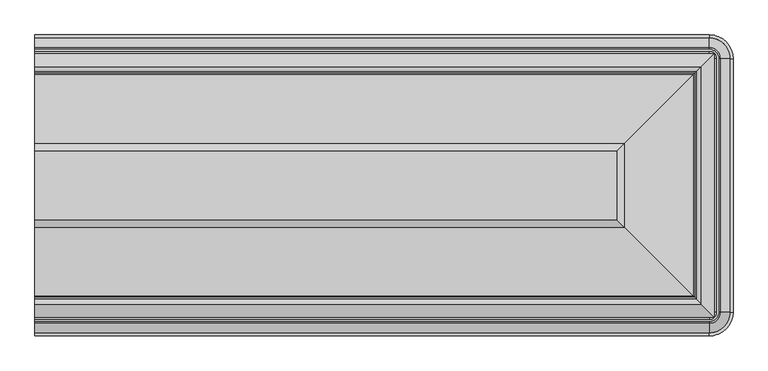
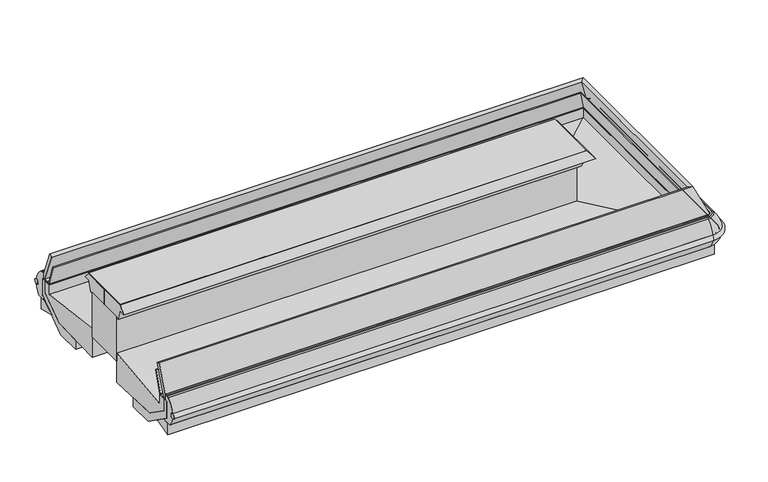
"""IFC4 building model written with IfcOpenShell, lengths in millimetres: proxy geometry."""

from ifc_helpers import new_model, si_unit, point, frame, origin, place, context, project, spatial, polyline, circle_curve, ellipse_curve, trimmed, outline, extrude, faceted_brep, source, transform, mapped, element, save
from ifc_brep_helpers import plane_surface, cylinder_surface, revolved_surface, advanced_brep


def mechanical_equipment_e37efff1(model_context):
    return source(origin(), model_context, "Body", "SolidModel", [
        faceted_brep([(0.0, -1781.1866726, 911.7999531), (0.0, -1860.5025367, 710.1476321), (0.0, -1841.5332437, 702.6864442), (0.0, -1817.1137149, 702.6864442), (0.0, -1816.7738859, 706.4102991), (0.0, -1770.0922273, 851.4874611), (0.0, -1764.037322, 849.5741862), (0.0, -1810.7189805, 704.4970242), (0.0, -1810.1258242, 699.9316399), (0.0, -1877.2754027, 699.9316399), (0.0, -1877.2754027, 741.2027305), (0.0, -1806.1949558, 921.6509767), (3583.2420453, -1781.1866726, 911.7999531), (3662.5579094, -1860.5025367, 710.1476321), (3643.5886164, -1841.5332437, 702.6864442), (3643.5886164, -485.2560109, 702.6864442), (0.0, -485.2560109, 702.6864442), (0.0, -509.6755397, 702.6864442), (3619.1690876, -509.6755397, 702.6864442), (3619.1690876, -1817.1137149, 702.6864442), (3618.8292586, -1816.7738859, 706.4102991), (3572.1476, -1770.0922273, 851.4874611), (3566.0926947, -1764.037322, 849.5741862), (3612.7743532, -1810.7189805, 704.4970242), (3612.1811969, -1810.1258242, 699.9316399), (3612.1811969, -516.6634304, 699.9316399), (0.0, -516.6634304, 699.9316399), (0.0, -449.5138519, 699.9316399), (3679.3307754, -449.5138519, 699.9316399), (3679.3307754, -1877.2754027, 699.9316399), (3679.3307754, -1877.2754027, 741.2027305), (3608.2503285, -1806.1949558, 921.6509767), (3583.2420453, -545.602582, 911.7999531), (3662.5579094, -466.2867179, 710.1476321), (3618.8292586, -510.0153687, 706.4102991), (3572.1476, -556.6970273, 851.4874611), (3566.0926947, -562.7519326, 849.5741862), (3612.7743532, -516.0702741, 704.4970242), (3679.3307754, -449.5138519, 741.2027305), (3608.2503285, -520.5942988, 921.6509767), (0.0, -545.602582, 911.7999531), (0.0, -520.5942988, 921.6509767), (0.0, -449.5138519, 741.2027305), (0.0, -516.0702741, 704.4970242), (0.0, -562.7519326, 849.5741862), (0.0, -556.6970273, 851.4874611), (0.0, -510.0153687, 706.4102991), (0.0, -466.2867179, 710.1476321)], [[[0, 1, 2, 3, 4, 5, 6, 7, 8, 9, 10, 11]], [[1, 0, 12, 13]], [[2, 1, 13, 14]], [[3, 2, 14, 15, 16, 17, 18, 19]], [[4, 3, 19, 20]], [[5, 4, 20, 21]], [[6, 5, 21, 22]], [[7, 6, 22, 23]], [[8, 7, 23, 24]], [[9, 8, 24, 25, 26, 27, 28, 29]], [[10, 9, 29, 30]], [[11, 10, 30, 31]], [[0, 11, 31, 12]], [[13, 12, 32, 33]], [[14, 13, 33, 15]], [[20, 19, 18, 34]], [[21, 20, 34, 35]], [[22, 21, 35, 36]], [[23, 22, 36, 37]], [[24, 23, 37, 25]], [[30, 29, 28, 38]], [[31, 30, 38, 39]], [[12, 31, 39, 32]], [[40, 41, 42, 27, 26, 43, 44, 45, 46, 17, 16, 47]], [[33, 32, 40, 47]], [[15, 33, 47, 16]], [[34, 18, 17, 46]], [[35, 34, 46, 45]], [[36, 35, 45, 44]], [[37, 36, 44, 43]], [[25, 37, 43, 26]], [[38, 28, 27, 42]], [[39, 38, 42, 41]], [[32, 39, 41, 40]]]),
        extrude(outline(polyline([(3150.1723359, -1348.1169632), (0.0, -1348.1169632), (0.0, -978.6722914), (3150.1723359, -978.6722914), (3150.1723359, -1348.1169632)])), frame((0.0, 0.0, 1059.6328437), z_axis=(0.0, 0.0, 1.0), x_axis=(1.0, 0.0, 0.0)), (0.0, 0.0, 1.0), 3.1453162),
        extrude(outline(polyline([(3110.4645079, -1019.5095352), (3110.4645079, -1308.4091352), (0.0, -1308.4091352), (0.0, -1019.5095352), (3110.4645079, -1019.5095352)])), frame((0.0, 0.0, 631.4585812), z_axis=(0.0, 0.0, 1.0), x_axis=(1.0, 0.0, 0.0)), (0.0, 0.0, 1.0), 317.8871452),
        faceted_brep([(0.0, -1308.2830983, 949.3457264), (0.0, -1326.3805663, 943.3348816), (0.0, -1349.8556285, 1014.0136635), (0.0, -1389.1926575, 1014.0136635), (0.0, -1348.1169632, 1059.6328437), (0.0, -1163.895984, 1059.6328437), (0.0, -1163.895984, 949.3457264), (3110.338471, -1308.2830983, 949.3457264), (3128.435939, -1326.3805663, 943.3348816), (3151.9110012, -1349.8556285, 1014.0136635), (3151.9110012, -976.9336261, 1014.0136635), (0.0, -976.9336261, 1014.0136635), (0.0, -937.5965971, 1014.0136635), (3191.2480302, -937.5965971, 1014.0136635), (3191.2480302, -1389.1926575, 1014.0136635), (3150.1723359, -1348.1169632, 1059.6328437), (3150.1723359, -978.6722914, 1059.6328437), (0.0, -978.6722914, 1059.6328437), (0.0, -1162.8932706, 1059.6328437), (2965.9513567, -1162.8932706, 1059.6328437), (2965.9513567, -1163.895984, 1059.6328437), (2965.9513567, -1163.895984, 949.3457264), (2965.9513567, -1162.8932706, 949.3457264), (0.0, -1162.8932706, 949.3457264), (0.0, -1018.5061563, 949.3457264), (3110.338471, -1018.5061563, 949.3457264), (3128.435939, -1000.4086883, 943.3348816), (0.0, -1000.4086883, 943.3348816)], [[[0, 1, 2, 3, 4, 5, 6]], [[1, 0, 7, 8]], [[2, 1, 8, 9]], [[3, 2, 9, 10, 11, 12, 13, 14]], [[4, 3, 14, 15]], [[5, 4, 15, 16, 17, 18, 19, 20]], [[6, 5, 20, 21]], [[0, 6, 21, 22, 23, 24, 25, 7]], [[8, 7, 25, 26]], [[9, 8, 26, 10]], [[15, 14, 13, 16]], [[21, 20, 19, 22]], [[24, 23, 18, 17, 12, 11, 27]], [[26, 25, 24, 27]], [[10, 26, 27, 11]], [[16, 13, 12, 17]], [[22, 19, 18, 23]]]),
        faceted_brep([(0.0, -1308.4091352, 690.9503766), (0.0, -1308.4091352, 482.92446), (0.0, -1693.9996243, 497.0790606), (0.0, -1857.0513557, 611.2491401), (0.0, -1857.0513557, 699.9316399), (0.0, -1809.4937149, 699.9316399), (0.0, -1809.4937149, 631.4585812), (3110.4645079, -1308.4091352, 690.9503766), (3110.4645079, -1308.4091352, 482.92446), (3496.054997, -1693.9996243, 497.0790606), (3659.1067284, -1857.0513557, 611.2491401), (3659.1067284, -1857.0513557, 699.9316399), (3659.1067284, -469.7378989, 699.9316399), (0.0, -469.7378989, 699.9316399), (0.0, -517.2955397, 699.9316399), (3611.5490876, -517.2955397, 699.9316399), (3611.5490876, -1809.4937149, 699.9316399), (3611.5490876, -1809.4937149, 631.4585812), (3110.4645079, -1018.3801194, 690.9503766), (3110.4645079, -1018.3801194, 482.92446), (3496.054997, -632.7896303, 497.0790606), (3659.1067284, -469.7378989, 611.2491401), (3611.5490876, -517.2955397, 631.4585812), (0.0, -1018.3801194, 690.9503766), (0.0, -517.2955397, 631.4585812), (0.0, -469.7378989, 611.2491401), (0.0, -632.7896303, 497.0790606), (0.0, -1018.3801194, 482.92446)], [[[0, 1, 2, 3, 4, 5, 6]], [[1, 0, 7, 8]], [[2, 1, 8, 9]], [[3, 2, 9, 10]], [[4, 3, 10, 11]], [[5, 4, 11, 12, 13, 14, 15, 16]], [[6, 5, 16, 17]], [[0, 6, 17, 7]], [[8, 7, 18, 19]], [[9, 8, 19, 20]], [[10, 9, 20, 21]], [[11, 10, 21, 12]], [[17, 16, 15, 22]], [[7, 17, 22, 18]], [[23, 24, 14, 13, 25, 26, 27]], [[19, 18, 23, 27]], [[20, 19, 27, 26]], [[21, 20, 26, 25]], [[12, 21, 25, 13]], [[22, 15, 14, 24]], [[18, 22, 24, 23]]]),
        advanced_brep(
        [(0.0, -364.6063208, 652.4275857), (0.0, -367.261694, 617.5553703), (3651.3002227, -364.6063208, 652.4275857), (3651.3002227, -367.261694, 617.5553703), (3761.5829333, -477.5444046, 617.5553703), (3764.2383065, -477.5444046, 652.4275857), (3764.2383065, -1849.24485, 652.4275857), (3761.5829333, -1849.24485, 617.5553703), (3651.3002227, -1959.5275606, 617.5553703), (3651.3002227, -1962.1829338, 652.4275857), (0.0, -1962.1829338, 652.4275857), (0.0, -1959.5275606, 617.5553703)],
        [
            (0, 1, circle_curve(frame((0.0, -366.1293194, 635.0063502), z_axis=(-1.0, 0.0, 0.0), x_axis=(0.0, 1.0, 0.0)), 17.4876806)),
            (1, 0, circle_curve(frame((0.0, -366.2319692, 635.0141666), z_axis=(-1.0, 0.0, 0.0), x_axis=(0.0, 1.0, 0.0)), 17.4891366)),
            (0, 2),
            (2, 3, circle_curve(frame((3651.3002227, -366.1293194, 635.0063502), z_axis=(-1.0, 0.0, 0.0), x_axis=(0.0, 1.0, 0.0)), 17.4876806)),
            (3, 1),
            (3, 2, circle_curve(frame((3651.3002227, -366.2319692, 635.0141666), z_axis=(-1.0, 0.0, 0.0), x_axis=(0.0, 1.0, 0.0)), 17.4891366)),
            (4, 3, circle_curve(frame((3651.3002227, -477.5444046, 617.5553703), z_axis=(0.0, 0.0, 1.0), x_axis=(0.0, 1.0, 0.0)), 110.2827105)),
            (2, 5, circle_curve(frame((3651.3002227, -477.5444046, 652.4275857), z_axis=(0.0, 0.0, -1.0), x_axis=(0.0, 1.0, 0.0)), 112.9380838)),
            (5, 4, circle_curve(frame((3762.7153079, -477.5444046, 635.0063502), z_axis=(0.0, 1.0, 0.0), x_axis=(1.0, 0.0, 0.0)), 17.4876806)),
            (4, 5, circle_curve(frame((3762.6126581, -477.5444046, 635.0141666), z_axis=(0.0, 1.0, 0.0), x_axis=(1.0, 0.0, 0.0)), 17.4891366)),
            (5, 6),
            (6, 7, circle_curve(frame((3762.7153079, -1849.24485, 635.0063502), z_axis=(0.0, 1.0, 0.0), x_axis=(1.0, 0.0, 0.0)), 17.4876806)),
            (7, 4),
            (7, 6, circle_curve(frame((3762.6126581, -1849.24485, 635.0141666), z_axis=(0.0, 1.0, 0.0), x_axis=(1.0, 0.0, 0.0)), 17.4891366)),
            (8, 7, circle_curve(frame((3651.3002227, -1849.24485, 617.5553703), z_axis=(0.0, 0.0, 1.0), x_axis=(1.0, 0.0, 0.0)), 110.2827105)),
            (6, 9, circle_curve(frame((3651.3002227, -1849.24485, 652.4275857), z_axis=(0.0, 0.0, -1.0), x_axis=(1.0, 0.0, 0.0)), 112.9380838)),
            (9, 8, circle_curve(frame((3651.3002227, -1960.6599352, 635.0063502), z_axis=(1.0, 0.0, 0.0), x_axis=(0.0, -1.0, 0.0)), 17.4876806)),
            (8, 9, circle_curve(frame((3651.3002227, -1960.5572854, 635.0141666), z_axis=(1.0, 0.0, 0.0), x_axis=(0.0, -1.0, 0.0)), 17.4891366)),
            (10, 11, circle_curve(frame((0.0, -1960.5572854, 635.0141666), z_axis=(-1.0, 0.0, 0.0), x_axis=(0.0, -1.0, 0.0)), 17.4891366)),
            (11, 10, circle_curve(frame((0.0, -1960.6599352, 635.0063502), z_axis=(-1.0, 0.0, 0.0), x_axis=(0.0, -1.0, 0.0)), 17.4876806)),
            (9, 10),
            (11, 8),
        ],
        [
            plane_surface(frame((0.0, -401.3444046, 50.2442522), z_axis=(-1.0, 0.0, 0.0), x_axis=(0.0, 0.0, 1.0))),
            cylinder_surface(frame((0.0, -366.1293194, 635.0063502), z_axis=(-1.0, 0.0, 0.0), x_axis=(0.0, 1.0, 0.0)), 17.4876806),
            cylinder_surface(frame((0.0, -366.2319692, 635.0141666), z_axis=(-1.0, 0.0, 0.0), x_axis=(0.0, 1.0, 0.0)), 17.4891366),
            revolved_surface(trimmed(ellipse_curve(frame((3651.3002227, -366.1293194, 635.0063502), z_axis=(-1.0, 0.0, 0.0), x_axis=(0.0, 1.0, 0.0)), 17.4876806, 17.4876806), [point((3651.3002227, -364.6063208, 652.4275857))], [point((3651.3002227, -367.261694, 617.5553703))], True, "CARTESIAN"), (3651.3002227, -477.5444046, 50.2442522), (0.0, 0.0, -1.0)),
            revolved_surface(trimmed(ellipse_curve(frame((3651.3002227, -366.2319692, 635.0141666), z_axis=(-1.0, 0.0, 0.0), x_axis=(0.0, 1.0, 0.0)), 17.4891366, 17.4891366), [point((3651.3002227, -367.261694, 617.5553703))], [point((3651.3002227, -364.6063208, 652.4275857))], True, "CARTESIAN"), (3651.3002227, -477.5444046, 50.2442522), (0.0, 0.0, -1.0)),
            cylinder_surface(frame((3762.7153079, -477.5444046, 635.0063502), z_axis=(0.0, 1.0, 0.0), x_axis=(1.0, 0.0, 0.0)), 17.4876806),
            cylinder_surface(frame((3762.6126581, -477.5444046, 635.0141666), z_axis=(0.0, 1.0, 0.0), x_axis=(1.0, 0.0, 0.0)), 17.4891366),
            revolved_surface(trimmed(ellipse_curve(frame((3762.7153079, -1849.24485, 635.0063502), z_axis=(0.0, 1.0, 0.0), x_axis=(1.0, 0.0, 0.0)), 17.4876806, 17.4876806), [point((3764.2383065, -1849.24485, 652.4275857))], [point((3761.5829333, -1849.24485, 617.5553703))], True, "CARTESIAN"), (3651.3002227, -1849.24485, 50.2442522), (0.0, 0.0, -1.0)),
            revolved_surface(trimmed(ellipse_curve(frame((3762.6126581, -1849.24485, 635.0141666), z_axis=(0.0, 1.0, 0.0), x_axis=(1.0, 0.0, 0.0)), 17.4891366, 17.4891366), [point((3761.5829333, -1849.24485, 617.5553703))], [point((3764.2383065, -1849.24485, 652.4275857))], True, "CARTESIAN"), (3651.3002227, -1849.24485, 50.2442522), (0.0, 0.0, -1.0)),
            plane_surface(frame((0.0, -1925.44485, 50.2442522), z_axis=(-1.0, 0.0, 0.0), x_axis=(0.0, 0.0, 1.0))),
            cylinder_surface(frame((3651.3002227, -1960.6599352, 635.0063502), z_axis=(1.0, 0.0, 0.0), x_axis=(0.0, -1.0, 0.0)), 17.4876806),
            cylinder_surface(frame((3651.3002227, -1960.5572854, 635.0141666), z_axis=(1.0, 0.0, 0.0), x_axis=(0.0, -1.0, 0.0)), 17.4891366),
        ],
        [
            (0, [[1, 2]]),
            (1, [[-1, 3, 4, 5]]),
            (2, [[-2, -5, 6, -3]]),
            (3, [[7, -4, 8, 9]]),
            (4, [[-8, -6, -7, 10]]),
            (5, [[-9, 11, 12, 13]]),
            (6, [[-10, -13, 14, -11]]),
            (7, [[15, -12, 16, 17]]),
            (8, [[-16, -14, -15, 18]]),
            (9, [[19, 20]]),
            (10, [[-17, 21, -20, 22]]),
            (11, [[-18, -22, -19, -21]]),
        ],
    ),
        advanced_brep(
        [(0.0, -1932.3707266, 554.795851), (0.0, -1962.3625666, 617.6184528), (0.0, -1962.1829338, 652.4275857), (0.0, -1911.1133562, 737.3348631), (0.0, -1900.315694, 741.5661382), (0.0, -1890.77385, 741.5661382), (0.0, -1877.2754027, 741.2027305), (0.0, -1877.2754027, 699.9316399), (0.0, -1894.7830557, 699.9316399), (0.0, -1894.7830557, 580.2978022), (0.0, -1855.3824045, 552.6494703), (0.0, -1927.6069109, 552.6494703), (3651.3002227, -1932.3707266, 554.795851), (3651.3002227, -1962.3625666, 617.6184528), (3651.3002227, -1962.1829338, 652.4275857), (3651.3002227, -1911.1133562, 737.3348631), (3651.3002227, -1900.315694, 741.5661382), (3702.3710667, -1849.24485, 741.5661382), (3702.3710667, -477.5444046, 741.5661382), (3651.3002227, -426.4735606, 741.5661382), (0.0, -426.4735606, 741.5661382), (0.0, -436.0154046, 741.5661382), (3651.3002227, -436.0154046, 741.5661382), (3692.8292227, -477.5444046, 741.5661382), (3692.8292227, -1849.24485, 741.5661382), (3651.3002227, -1890.77385, 741.5661382), (3651.3002227, -1877.2754027, 741.2027305), (3651.3002227, -1877.2754027, 699.9316399), (3679.3307754, -1849.24485, 699.9316399), (3679.3307754, -477.5444046, 699.9316399), (3651.3002227, -449.5138519, 699.9316399), (0.0, -449.5138519, 699.9316399), (0.0, -432.0061989, 699.9316399), (3651.3002227, -432.0061989, 699.9316399), (3696.8384284, -477.5444046, 699.9316399), (3696.8384284, -1849.24485, 699.9316399), (3651.3002227, -1894.7830557, 699.9316399), (3651.3002227, -1894.7830557, 580.2978022), (3651.3002227, -1855.3824045, 552.6494703), (3651.3002227, -1927.6069109, 552.646226), (3764.4179393, -1849.24485, 617.6184528), (3734.4260993, -1849.24485, 554.795851), (3764.2383065, -1849.24485, 652.4275857), (3713.1687289, -1849.24485, 737.3348631), (3679.3307754, -1849.24485, 741.2027305), (3696.8384284, -1849.24485, 580.2978022), (3657.4377772, -1849.24485, 552.6494703), (3729.6622836, -1849.24485, 552.646226), (3734.4260993, -477.5444046, 554.795851), (3764.4179393, -477.5444046, 617.6184528), (3764.2383065, -477.5444046, 652.4275857), (3713.1687289, -477.5444046, 737.3348631), (3679.3307754, -477.5444046, 741.2027305), (3696.8384284, -477.5444046, 580.2978022), (3657.4377772, -477.5444046, 552.6494703), (3729.6622836, -477.5444046, 552.646226), (3651.3002227, -364.426688, 617.6184528), (3651.3002227, -394.418528, 554.795851), (3651.3002227, -364.6063208, 652.4275857), (3651.3002227, -415.6758984, 737.3348631), (3651.3002227, -449.5138519, 741.2027305), (3651.3002227, -432.0061989, 580.2978022), (3651.3002227, -471.4068501, 552.6494703), (3651.3002227, -399.1823437, 552.646226), (0.0, -394.418528, 554.795851), (0.0, -399.1823437, 552.646226), (0.0, -471.4068501, 552.6494703), (0.0, -432.0061989, 580.2978022), (0.0, -449.5138519, 741.2027305), (0.0, -415.6758984, 737.3348631), (0.0, -364.6063208, 652.4275857), (0.0, -364.426688, 617.6184528)],
        [
            (0, 1, circle_curve(frame((0.0, -1837.1426231, 638.8286796), z_axis=(-1.0, 0.0, 0.0), x_axis=(0.0, 1.0, 0.0)), 127.0035747)),
            (1, 2, circle_curve(frame((0.0, -1960.5572854, 635.0141666), z_axis=(1.0, 0.0, 0.0), x_axis=(0.0, 1.0, 0.0)), 17.4891366)),
            (2, 3, circle_curve(frame((0.0, -1790.3001749, 606.8566258), z_axis=(-1.0, 0.0, 0.0), x_axis=(0.0, 1.0, 0.0)), 177.8212451)),
            (3, 4, circle_curve(frame((0.0, -1900.315694, 725.6733878), z_axis=(-1.0, 0.0, 0.0), x_axis=(0.0, 1.0, 0.0)), 15.8927504)),
            (4, 5),
            (5, 6),
            (6, 7),
            (7, 8),
            (8, 9),
            (9, 10),
            (10, 11),
            (11, 0, circle_curve(frame((0.0, -1927.6069109, 558.9996196), z_axis=(-1.0, 0.0, 0.0), x_axis=(0.0, 1.0, 0.0)), 6.3533936)),
            (0, 12),
            (12, 13, circle_curve(frame((3651.3002227, -1837.1426231, 638.8286796), z_axis=(-1.0, 0.0, 0.0), x_axis=(0.0, 1.0, 0.0)), 127.0035747)),
            (13, 1),
            (13, 14, circle_curve(frame((3651.3002227, -1960.5572854, 635.0141666), z_axis=(1.0, 0.0, 0.0), x_axis=(0.0, 1.0, 0.0)), 17.4891366)),
            (14, 2),
            (14, 15, circle_curve(frame((3651.3002227, -1790.3001749, 606.8566258), z_axis=(-1.0, 0.0, 0.0), x_axis=(0.0, 1.0, 0.0)), 177.8212451)),
            (15, 3),
            (15, 16, circle_curve(frame((3651.3002227, -1900.315694, 725.6733878), z_axis=(-1.0, 0.0, 0.0), x_axis=(0.0, 1.0, 0.0)), 15.8927504)),
            (16, 4),
            (16, 17, circle_curve(frame((3651.3002227, -1849.24485, 741.5661382), z_axis=(0.0, 0.0, 1.0), x_axis=(0.0, -1.0, 0.0)), 51.070844)),
            (17, 18),
            (18, 19, circle_curve(frame((3651.3002227, -477.5444046, 741.5661382), z_axis=(0.0, 0.0, 1.0), x_axis=(1.0, 0.0, 0.0)), 51.070844)),
            (19, 20),
            (20, 21),
            (21, 22),
            (22, 23, circle_curve(frame((3651.3002227, -477.5444046, 741.5661382), z_axis=(0.0, 0.0, -1.0), x_axis=(1.0, 0.0, 0.0)), 41.529)),
            (23, 24),
            (24, 25, circle_curve(frame((3651.3002227, -1849.24485, 741.5661382), z_axis=(0.0, 0.0, -1.0), x_axis=(0.0, -1.0, 0.0)), 41.529)),
            (25, 5),
            (25, 26),
            (26, 6),
            (26, 27),
            (27, 7),
            (27, 28, circle_curve(frame((3651.3002227, -1849.24485, 699.9316399), z_axis=(0.0, 0.0, 1.0), x_axis=(0.0, -1.0, 0.0)), 28.0305527)),
            (28, 29),
            (29, 30, circle_curve(frame((3651.3002227, -477.5444046, 699.9316399), z_axis=(0.0, 0.0, 1.0), x_axis=(1.0, 0.0, 0.0)), 28.0305527)),
            (30, 31),
            (31, 32),
            (32, 33),
            (33, 34, circle_curve(frame((3651.3002227, -477.5444046, 699.9316399), z_axis=(0.0, 0.0, -1.0), x_axis=(1.0, 0.0, 0.0)), 45.5382057)),
            (34, 35),
            (35, 36, circle_curve(frame((3651.3002227, -1849.24485, 699.9316399), z_axis=(0.0, 0.0, -1.0), x_axis=(0.0, -1.0, 0.0)), 45.5382057)),
            (36, 8),
            (36, 37),
            (37, 9),
            (37, 38),
            (38, 10),
            (11, 39),
            (39, 12, circle_curve(frame((3651.3002227, -1927.6069109, 558.9996196), z_axis=(-1.0, 0.0, 0.0), x_axis=(0.0, 1.0, 0.0)), 6.3533936)),
            (40, 13, circle_curve(frame((3651.3002227, -1849.24485, 617.6184528), z_axis=(0.0, 0.0, -1.0), x_axis=(0.0, -1.0, 0.0)), 113.1177166)),
            (12, 41, circle_curve(frame((3651.3002227, -1849.24485, 554.795851), z_axis=(0.0, 0.0, 1.0), x_axis=(0.0, -1.0, 0.0)), 83.1258766)),
            (41, 40, circle_curve(frame((3639.1979958, -1849.24485, 638.8286796), z_axis=(0.0, -1.0, 0.0), x_axis=(-1.0, 0.0, 0.0)), 127.0035747)),
            (42, 14, circle_curve(frame((3651.3002227, -1849.24485, 652.4275857), z_axis=(0.0, 0.0, -1.0), x_axis=(0.0, -1.0, 0.0)), 112.9380838)),
            (40, 42, circle_curve(frame((3762.6126581, -1849.24485, 635.0141666), z_axis=(0.0, 1.0, 0.0), x_axis=(-1.0, 0.0, 0.0)), 17.4891366)),
            (43, 15, circle_curve(frame((3651.3002227, -1849.24485, 737.3348631), z_axis=(0.0, 0.0, -1.0), x_axis=(0.0, -1.0, 0.0)), 61.8685062)),
            (42, 43, circle_curve(frame((3592.3555476, -1849.24485, 606.8566258), z_axis=(0.0, -1.0, 0.0), x_axis=(-1.0, 0.0, 0.0)), 177.8212451)),
            (43, 17, circle_curve(frame((3702.3710667, -1849.24485, 725.6733878), z_axis=(0.0, -1.0, 0.0), x_axis=(-1.0, 0.0, 0.0)), 15.8927504)),
            (44, 26, circle_curve(frame((3651.3002227, -1849.24485, 741.2027305), z_axis=(0.0, 0.0, -1.0), x_axis=(0.0, -1.0, 0.0)), 28.0305527)),
            (24, 44),
            (44, 28),
            (45, 37, circle_curve(frame((3651.3002227, -1849.24485, 580.2978022), z_axis=(0.0, 0.0, -1.0), x_axis=(0.0, -1.0, 0.0)), 45.5382057)),
            (35, 45),
            (46, 38, circle_curve(frame((3651.3002227, -1849.24485, 552.6494703), z_axis=(0.0, 0.0, -1.0), x_axis=(0.0, -1.0, 0.0)), 6.1375545)),
            (45, 46),
            (39, 47, circle_curve(frame((3651.3002227, -1849.24485, 552.646226), z_axis=(0.0, 0.0, 1.0), x_axis=(0.0, -1.0, 0.0)), 78.3620609)),
            (47, 41, circle_curve(frame((3729.6622836, -1849.24485, 558.9996196), z_axis=(0.0, -1.0, 0.0), x_axis=(-1.0, 0.0, 0.0)), 6.3533936)),
            (41, 48),
            (48, 49, circle_curve(frame((3639.1979958, -477.5444046, 638.8286796), z_axis=(0.0, -1.0, 0.0), x_axis=(-1.0, 0.0, 0.0)), 127.0035747)),
            (49, 40),
            (49, 50, circle_curve(frame((3762.6126581, -477.5444046, 635.0141666), z_axis=(0.0, 1.0, 0.0), x_axis=(-1.0, 0.0, 0.0)), 17.4891366)),
            (50, 42),
            (50, 51, circle_curve(frame((3592.3555476, -477.5444046, 606.8566258), z_axis=(0.0, -1.0, 0.0), x_axis=(-1.0, 0.0, 0.0)), 177.8212451)),
            (51, 43),
            (51, 18, circle_curve(frame((3702.3710667, -477.5444046, 725.6733878), z_axis=(0.0, -1.0, 0.0), x_axis=(-1.0, 0.0, 0.0)), 15.8927504)),
            (23, 52),
            (52, 44),
            (52, 29),
            (34, 53),
            (53, 45),
            (53, 54),
            (54, 46),
            (47, 55),
            (55, 48, circle_curve(frame((3729.6622836, -477.5444046, 558.9996196), z_axis=(0.0, -1.0, 0.0), x_axis=(-1.0, 0.0, 0.0)), 6.3533936)),
            (56, 49, circle_curve(frame((3651.3002227, -477.5444046, 617.6184528), z_axis=(0.0, 0.0, -1.0), x_axis=(1.0, 0.0, 0.0)), 113.1177166)),
            (48, 57, circle_curve(frame((3651.3002227, -477.5444046, 554.795851), z_axis=(0.0, 0.0, 1.0), x_axis=(1.0, 0.0, 0.0)), 83.1258766)),
            (57, 56, circle_curve(frame((3651.3002227, -489.6466315, 638.8286796), z_axis=(1.0, 0.0, 0.0), x_axis=(0.0, -1.0, 0.0)), 127.0035747)),
            (58, 50, circle_curve(frame((3651.3002227, -477.5444046, 652.4275857), z_axis=(0.0, 0.0, -1.0), x_axis=(1.0, 0.0, 0.0)), 112.9380838)),
            (56, 58, circle_curve(frame((3651.3002227, -366.2319692, 635.0141666), z_axis=(-1.0, 0.0, 0.0), x_axis=(0.0, -1.0, 0.0)), 17.4891366)),
            (59, 51, circle_curve(frame((3651.3002227, -477.5444046, 737.3348631), z_axis=(0.0, 0.0, -1.0), x_axis=(1.0, 0.0, 0.0)), 61.8685062)),
            (58, 59, circle_curve(frame((3651.3002227, -536.4890797, 606.8566258), z_axis=(1.0, 0.0, 0.0), x_axis=(0.0, -1.0, 0.0)), 177.8212451)),
            (59, 19, circle_curve(frame((3651.3002227, -426.4735606, 725.6733878), z_axis=(1.0, 0.0, 0.0), x_axis=(0.0, -1.0, 0.0)), 15.8927504)),
            (60, 52, circle_curve(frame((3651.3002227, -477.5444046, 741.2027305), z_axis=(0.0, 0.0, -1.0), x_axis=(1.0, 0.0, 0.0)), 28.0305527)),
            (22, 60),
            (60, 30),
            (61, 53, circle_curve(frame((3651.3002227, -477.5444046, 580.2978022), z_axis=(0.0, 0.0, -1.0), x_axis=(1.0, 0.0, 0.0)), 45.5382057)),
            (33, 61),
            (62, 54, circle_curve(frame((3651.3002227, -477.5444046, 552.6494703), z_axis=(0.0, 0.0, -1.0), x_axis=(1.0, 0.0, 0.0)), 6.1375545)),
            (61, 62),
            (55, 63, circle_curve(frame((3651.3002227, -477.5444046, 552.646226), z_axis=(0.0, 0.0, 1.0), x_axis=(1.0, 0.0, 0.0)), 78.3620609)),
            (63, 57, circle_curve(frame((3651.3002227, -399.1823437, 558.9996196), z_axis=(1.0, 0.0, 0.0), x_axis=(0.0, -1.0, 0.0)), 6.3533936)),
            (64, 65, circle_curve(frame((0.0, -399.1823437, 558.9996196), z_axis=(-1.0, 0.0, 0.0), x_axis=(0.0, -1.0, 0.0)), 6.3533936)),
            (65, 66),
            (66, 67),
            (67, 32),
            (31, 68),
            (68, 21),
            (20, 69, circle_curve(frame((0.0, -426.4735606, 725.6733878), z_axis=(-1.0, 0.0, 0.0), x_axis=(0.0, -1.0, 0.0)), 15.8927504)),
            (69, 70, circle_curve(frame((0.0, -536.4890797, 606.8566258), z_axis=(-1.0, 0.0, 0.0), x_axis=(0.0, -1.0, 0.0)), 177.8212451)),
            (70, 71, circle_curve(frame((0.0, -366.2319692, 635.0141666), z_axis=(1.0, 0.0, 0.0), x_axis=(0.0, -1.0, 0.0)), 17.4891366)),
            (71, 64, circle_curve(frame((0.0, -489.6466315, 638.8286796), z_axis=(-1.0, 0.0, 0.0), x_axis=(0.0, -1.0, 0.0)), 127.0035747)),
            (57, 64),
            (71, 56),
            (70, 58),
            (69, 59),
            (68, 60),
            (67, 61),
            (66, 62),
            (63, 65),
        ],
        [
            plane_surface(frame((0.0, -1925.44485, 50.2442522), z_axis=(-1.0, 0.0, 0.0), x_axis=(0.0, 0.0, 1.0))),
            cylinder_surface(frame((0.0, -1837.1426231, 638.8286796), z_axis=(-1.0, 0.0, 0.0), x_axis=(0.0, 1.0, 0.0)), 127.0035747),
            revolved_surface(polyline([(3651.3002227, -1943.0681488, 635.0141666), (0.0, -1943.0681488, 635.0141666)]), (0.0, -1960.5572854, 635.0141666), (1.0, 0.0, 0.0)),
            cylinder_surface(frame((0.0, -1790.3001749, 606.8566258), z_axis=(-1.0, 0.0, 0.0), x_axis=(0.0, 1.0, 0.0)), 177.8212451),
            cylinder_surface(frame((0.0, -1900.315694, 725.6733878), z_axis=(-1.0, 0.0, 0.0), x_axis=(0.0, 1.0, 0.0)), 15.8927504),
            plane_surface(frame((0.0, -1900.315694, 741.5661382), z_axis=(0.0, 0.0, 1.0), x_axis=(1.0, 0.0, 0.0))),
            plane_surface(frame((0.0, -1890.77385, 741.5661382), z_axis=(0.0, 0.026912433548100627, 0.9996377948639793), x_axis=(1.0, 0.0, 0.0))),
            plane_surface(frame((0.0, -1877.2754027, 741.2027305), z_axis=(0.0, 1.0, 0.0), x_axis=(1.0, 0.0, 0.0))),
            plane_surface(frame((0.0, -1877.2754027, 699.9316399), z_axis=(0.0, 0.0, -1.0), x_axis=(1.0, 0.0, 0.0))),
            plane_surface(frame((0.0, -1894.7830557, 699.9316399), z_axis=(0.0, 1.0, 0.0), x_axis=(1.0, 0.0, 0.0))),
            plane_surface(frame((0.0, -1894.7830557, 580.2978022), z_axis=(0.0, 0.574408378166725, 0.818568882313439), x_axis=(1.0, 0.0, 0.0))),
            cylinder_surface(frame((0.0, -1927.6069109, 558.9996196), z_axis=(-1.0, 0.0, 0.0), x_axis=(0.0, 1.0, 0.0)), 6.3533936),
            revolved_surface(trimmed(ellipse_curve(frame((3651.3002227, -1837.1426231, 638.8286796), z_axis=(-1.0, 0.0, 0.0), x_axis=(0.0, 1.0, 0.0)), 127.0035747, 127.0035747), [point((3651.3002227, -1932.3707266, 554.795851))], [point((3651.3002227, -1962.3625666, 617.6184528))], True, "CARTESIAN"), (3651.3002227, -1849.24485, 50.2442522), (0.0, 0.0, 1.0)),
            revolved_surface(trimmed(ellipse_curve(frame((3651.3002227, -1960.5572854, 635.0141666), z_axis=(1.0, 0.0, 0.0), x_axis=(0.0, 1.0, 0.0)), 17.4891366, 17.4891366), [point((3651.3002227, -1962.3625666, 617.6184528))], [point((3651.3002227, -1962.1829338, 652.4275857))], True, "CARTESIAN"), (3651.3002227, -1849.24485, 50.2442522), (0.0, 0.0, 1.0)),
            revolved_surface(trimmed(ellipse_curve(frame((3651.3002227, -1790.3001749, 606.8566258), z_axis=(-1.0, 0.0, 0.0), x_axis=(0.0, 1.0, 0.0)), 177.8212451, 177.8212451), [point((3651.3002227, -1962.1829338, 652.4275857))], [point((3651.3002227, -1911.1133562, 737.3348631))], True, "CARTESIAN"), (3651.3002227, -1849.24485, 50.2442522), (0.0, 0.0, 1.0)),
            revolved_surface(trimmed(ellipse_curve(frame((3651.3002227, -1900.315694, 725.6733878), z_axis=(-1.0, 0.0, 0.0), x_axis=(0.0, 1.0, 0.0)), 15.8927504, 15.8927504), [point((3651.3002227, -1911.1133562, 737.3348631))], [point((3651.3002227, -1900.315694, 741.5661382))], True, "CARTESIAN"), (3651.3002227, -1849.24485, 50.2442522), (0.0, 0.0, 1.0)),
            revolved_surface(polyline([(3651.3002227, -1890.77385, 741.5661382), (3651.3002227, -1877.2754027, 741.2027305)]), (3651.3002227, -1849.24485, 50.2442522), (0.0, 0.0, 1.0)),
            revolved_surface(polyline([(3651.3002227, -1877.2754027, 741.2027305), (3651.3002227, -1877.2754027, 699.9316399)]), (3651.3002227, -1849.24485, 50.2442522), (0.0, 0.0, 1.0)),
            revolved_surface(polyline([(3651.3002227, -1894.7830557, 699.9316399), (3651.3002227, -1894.7830557, 580.2978022)]), (3651.3002227, -1849.24485, 50.2442522), (0.0, 0.0, 1.0)),
            revolved_surface(polyline([(3651.3002227, -1894.7830557, 580.2978022), (3651.3002227, -1855.3824045, 552.6494703)]), (3651.3002227, -1849.24485, 50.2442522), (0.0, 0.0, 1.0)),
            revolved_surface(trimmed(ellipse_curve(frame((3651.3002227, -1927.6069109, 558.9996196), z_axis=(-1.0, 0.0, 0.0), x_axis=(0.0, 1.0, 0.0)), 6.3533936, 6.3533936), [point((3651.3002227, -1927.6069109, 552.646226))], [point((3651.3002227, -1932.3707266, 554.795851))], True, "CARTESIAN"), (3651.3002227, -1849.24485, 50.2442522), (0.0, 0.0, 1.0)),
            cylinder_surface(frame((3639.1979958, -1849.24485, 638.8286796), z_axis=(0.0, -1.0, 0.0), x_axis=(-1.0, 0.0, 0.0)), 127.0035747),
            revolved_surface(polyline([(3745.1235214999997, -477.5444046, 635.0141666), (3745.1235214999997, -1849.24485, 635.0141666)]), (3762.6126581, -1849.24485, 635.0141666), (0.0, 1.0, 0.0)),
            cylinder_surface(frame((3592.3555476, -1849.24485, 606.8566258), z_axis=(0.0, -1.0, 0.0), x_axis=(-1.0, 0.0, 0.0)), 177.8212451),
            cylinder_surface(frame((3702.3710667, -1849.24485, 725.6733878), z_axis=(0.0, -1.0, 0.0), x_axis=(-1.0, 0.0, 0.0)), 15.8927504),
            plane_surface(frame((3692.8292227, -1849.24485, 741.5661382), z_axis=(-0.026912433548100627, 0.0, 0.9996377948639793), x_axis=(0.0, 1.0, 0.0))),
            plane_surface(frame((3679.3307754, -1849.24485, 741.2027305), z_axis=(-1.0, 0.0, 0.0), x_axis=(0.0, 1.0, 0.0))),
            plane_surface(frame((3696.8384284, -1849.24485, 699.9316399), z_axis=(-1.0, 0.0, 0.0), x_axis=(0.0, 1.0, 0.0))),
            plane_surface(frame((3696.8384284, -1849.24485, 580.2978022), z_axis=(-0.574408378166725, 0.0, 0.818568882313439), x_axis=(0.0, 1.0, 0.0))),
            cylinder_surface(frame((3729.6622836, -1849.24485, 558.9996196), z_axis=(0.0, -1.0, 0.0), x_axis=(-1.0, 0.0, 0.0)), 6.3533936),
            revolved_surface(trimmed(ellipse_curve(frame((3639.1979958, -477.5444046, 638.8286796), z_axis=(0.0, -1.0, 0.0), x_axis=(-1.0, 0.0, 0.0)), 127.0035747, 127.0035747), [point((3734.4260993, -477.5444046, 554.795851))], [point((3764.4179393, -477.5444046, 617.6184528))], True, "CARTESIAN"), (3651.3002227, -477.5444046, 50.2442522), (0.0, 0.0, 1.0)),
            revolved_surface(trimmed(ellipse_curve(frame((3762.6126581, -477.5444046, 635.0141666), z_axis=(0.0, 1.0, 0.0), x_axis=(-1.0, 0.0, 0.0)), 17.4891366, 17.4891366), [point((3764.4179393, -477.5444046, 617.6184528))], [point((3764.2383065, -477.5444046, 652.4275857))], True, "CARTESIAN"), (3651.3002227, -477.5444046, 50.2442522), (0.0, 0.0, 1.0)),
            revolved_surface(trimmed(ellipse_curve(frame((3592.3555476, -477.5444046, 606.8566258), z_axis=(0.0, -1.0, 0.0), x_axis=(-1.0, 0.0, 0.0)), 177.8212451, 177.8212451), [point((3764.2383065, -477.5444046, 652.4275857))], [point((3713.1687289, -477.5444046, 737.3348631))], True, "CARTESIAN"), (3651.3002227, -477.5444046, 50.2442522), (0.0, 0.0, 1.0)),
            revolved_surface(trimmed(ellipse_curve(frame((3702.3710667, -477.5444046, 725.6733878), z_axis=(0.0, -1.0, 0.0), x_axis=(-1.0, 0.0, 0.0)), 15.8927504, 15.8927504), [point((3713.1687289, -477.5444046, 737.3348631))], [point((3702.3710667, -477.5444046, 741.5661382))], True, "CARTESIAN"), (3651.3002227, -477.5444046, 50.2442522), (0.0, 0.0, 1.0)),
            revolved_surface(polyline([(3692.8292227, -477.5444046, 741.5661382), (3679.3307754, -477.5444046, 741.2027305)]), (3651.3002227, -477.5444046, 50.2442522), (0.0, 0.0, 1.0)),
            revolved_surface(polyline([(3679.3307754, -477.5444046, 741.2027305), (3679.3307754, -477.5444046, 699.9316399)]), (3651.3002227, -477.5444046, 50.2442522), (0.0, 0.0, 1.0)),
            revolved_surface(polyline([(3696.8384284000003, -477.5444046, 699.9316399), (3696.8384284000003, -477.5444046, 580.2978022)]), (3651.3002227, -477.5444046, 50.2442522), (0.0, 0.0, 1.0)),
            revolved_surface(polyline([(3696.8384284, -477.5444046, 580.2978022), (3657.4377772, -477.5444046, 552.6494703)]), (3651.3002227, -477.5444046, 50.2442522), (0.0, 0.0, 1.0)),
            revolved_surface(trimmed(ellipse_curve(frame((3729.6622836, -477.5444046, 558.9996196), z_axis=(0.0, -1.0, 0.0), x_axis=(-1.0, 0.0, 0.0)), 6.3533936, 6.3533936), [point((3729.6622836, -477.5444046, 552.646226))], [point((3734.4260993, -477.5444046, 554.795851))], True, "CARTESIAN"), (3651.3002227, -477.5444046, 50.2442522), (0.0, 0.0, 1.0)),
            plane_surface(frame((0.0, -401.3444046, 50.2442522), z_axis=(-1.0, 0.0, 0.0), x_axis=(0.0, 0.0, 1.0))),
            cylinder_surface(frame((3651.3002227, -489.6466315, 638.8286796), z_axis=(1.0, 0.0, 0.0), x_axis=(0.0, -1.0, 0.0)), 127.0035747),
            revolved_surface(polyline([(0.0, -383.7211058, 635.0141666), (3651.3002227, -383.7211058, 635.0141666)]), (3651.3002227, -366.2319692, 635.0141666), (-1.0, 0.0, 0.0)),
            cylinder_surface(frame((3651.3002227, -536.4890797, 606.8566258), z_axis=(1.0, 0.0, 0.0), x_axis=(0.0, -1.0, 0.0)), 177.8212451),
            cylinder_surface(frame((3651.3002227, -426.4735606, 725.6733878), z_axis=(1.0, 0.0, 0.0), x_axis=(0.0, -1.0, 0.0)), 15.8927504),
            plane_surface(frame((3651.3002227, -436.0154046, 741.5661382), z_axis=(0.0, -0.026912433548100627, 0.9996377948639793), x_axis=(-1.0, 0.0, 0.0))),
            plane_surface(frame((3651.3002227, -449.5138519, 741.2027305), z_axis=(0.0, -1.0, 0.0), x_axis=(-1.0, 0.0, 0.0))),
            plane_surface(frame((3651.3002227, -432.0061989, 699.9316399), z_axis=(0.0, -1.0, 0.0), x_axis=(-1.0, 0.0, 0.0))),
            plane_surface(frame((3651.3002227, -432.0061989, 580.2978022), z_axis=(0.0, -0.574408378166725, 0.818568882313439), x_axis=(-1.0, 0.0, 0.0))),
            cylinder_surface(frame((3651.3002227, -399.1823437, 558.9996196), z_axis=(1.0, 0.0, 0.0), x_axis=(0.0, -1.0, 0.0)), 6.3533936),
            plane_surface(frame((0.0, -1855.3824045, 552.6494703), z_axis=(0.0, 0.0, -1.0), x_axis=(1.0, 0.0, 0.0))),
        ],
        [
            (0, [[1, 2, 3, 4, 5, 6, 7, 8, 9, 10, 11, 12]]),
            (1, [[-1, 13, 14, 15]]),
            (2, [[-2, -15, 16, 17]]),
            (3, [[-3, -17, 18, 19]]),
            (4, [[-4, -19, 20, 21]]),
            (5, [[-5, -21, 22, 23, 24, 25, 26, 27, 28, 29, 30, 31]]),
            (6, [[-6, -31, 32, 33]]),
            (7, [[-7, -33, 34, 35]]),
            (8, [[-8, -35, 36, 37, 38, 39, 40, 41, 42, 43, 44, 45]]),
            (9, [[-9, -45, 46, 47]]),
            (10, [[-10, -47, 48, 49]]),
            (11, [[-12, 50, 51, -13]]),
            (12, [[52, -14, 53, 54]]),
            (13, [[55, -16, -52, 56]]),
            (14, [[57, -18, -55, 58]]),
            (15, [[-22, -20, -57, 59]]),
            (16, [[60, -32, -30, 61]]),
            (17, [[-36, -34, -60, 62]]),
            (18, [[63, -46, -44, 64]]),
            (19, [[65, -48, -63, 66]]),
            (20, [[-53, -51, 67, 68]]),
            (21, [[-54, 69, 70, 71]]),
            (22, [[-56, -71, 72, 73]]),
            (23, [[-58, -73, 74, 75]]),
            (24, [[-59, -75, 76, -23]]),
            (25, [[-61, -29, 77, 78]]),
            (26, [[-62, -78, 79, -37]]),
            (27, [[-64, -43, 80, 81]]),
            (28, [[-66, -81, 82, 83]]),
            (29, [[-68, 84, 85, -69]]),
            (30, [[86, -70, 87, 88]]),
            (31, [[89, -72, -86, 90]]),
            (32, [[91, -74, -89, 92]]),
            (33, [[-24, -76, -91, 93]]),
            (34, [[94, -77, -28, 95]]),
            (35, [[-38, -79, -94, 96]]),
            (36, [[97, -80, -42, 98]]),
            (37, [[99, -82, -97, 100]]),
            (38, [[-87, -85, 101, 102]]),
            (39, [[103, 104, 105, 106, -40, 107, 108, -26, 109, 110, 111, 112]]),
            (40, [[-88, 113, -112, 114]]),
            (41, [[-90, -114, -111, 115]]),
            (42, [[-92, -115, -110, 116]]),
            (43, [[-93, -116, -109, -25]]),
            (44, [[-95, -27, -108, 117]]),
            (45, [[-96, -117, -107, -39]]),
            (46, [[-98, -41, -106, 118]]),
            (47, [[-100, -118, -105, 119]]),
            (48, [[-102, 120, -103, -113]]),
            (49, [[-49, -65, -83, -99, -119, -104, -120, -101, -84, -67, -50, -11]]),
        ],
    ),
        faceted_brep([(0.0, -1855.3777812, 552.6494703), (0.0, -1781.4205446, 500.7580864), (0.0, -1906.609561, 468.5418787), (0.0, -1906.609561, 552.6494703), (3693.245373, -1906.609561, 552.6494703), (3693.245373, -420.1796936, 552.6494703), (0.0, -420.1796936, 552.6494703), (0.0, -471.4114734, 552.6494703), (3642.0135932, -471.4114734, 552.6494703), (3642.0135932, -1855.3777812, 552.6494703), (3568.0563566, -1781.4205446, 500.7580864), (3693.245373, -1906.609561, 468.5418787), (3568.0563566, -545.36871, 500.7580864), (3693.245373, -420.1796936, 468.5418787), (0.0, -420.1796936, 468.5418787), (0.0, -545.36871, 500.7580864)], [[[0, 1, 2, 3]], [[0, 3, 4, 5, 6, 7, 8, 9]], [[1, 0, 9, 10]], [[2, 1, 10, 11]], [[10, 9, 8, 12]], [[11, 10, 12, 13]], [[7, 6, 14, 15]], [[12, 8, 7, 15]], [[13, 12, 15, 14]], [[3, 2, 11, 4]], [[4, 11, 13, 5]], [[5, 13, 14, 6]]]),
        faceted_brep([(0.0, -1673.2970159, 424.8942522), (0.0, -1894.7830557, 580.2978022), (0.0, -1894.7830557, 699.9316399), (0.0, -1857.0513557, 699.9316399), (0.0, -1857.0513557, 611.2491401), (0.0, -1693.9996243, 497.0790606), (0.0, -1501.8470159, 490.0253507), (0.0, -1501.8470159, 424.8942522), (3475.3523886, -1673.2970159, 424.8942522), (3696.8384284, -1894.7830557, 580.2978022), (3696.8384284, -1894.7830557, 699.9316399), (3696.8384284, -432.0061989, 699.9316399), (0.0, -432.0061989, 699.9316399), (0.0, -469.7378989, 699.9316399), (3659.1067284, -469.7378989, 699.9316399), (3659.1067284, -1857.0513557, 699.9316399), (3659.1067284, -1857.0513557, 611.2491401), (3496.054997, -1693.9996243, 497.0790606), (3303.9023886, -1501.8470159, 490.0253507), (3303.9023886, -1501.8470159, 424.8942522), (3303.9023886, -824.9422387, 424.8942522), (0.0, -824.9422387, 424.8942522), (0.0, -653.4922387, 424.8942522), (3475.3523886, -653.4922387, 424.8942522), (3696.8384284, -432.0061989, 580.2978022), (3659.1067284, -469.7378989, 611.2491401), (3496.054997, -632.7896303, 497.0790606), (3303.9023886, -824.9422387, 490.0253507), (0.0, -824.9422387, 490.0253507), (0.0, -632.7896303, 497.0790606), (0.0, -469.7378989, 611.2491401), (0.0, -432.0061989, 580.2978022)], [[[0, 1, 2, 3, 4, 5, 6, 7]], [[1, 0, 8, 9]], [[2, 1, 9, 10]], [[3, 2, 10, 11, 12, 13, 14, 15]], [[4, 3, 15, 16]], [[5, 4, 16, 17]], [[6, 5, 17, 18]], [[7, 6, 18, 19]], [[0, 7, 19, 20, 21, 22, 23, 8]], [[9, 8, 23, 24]], [[10, 9, 24, 11]], [[16, 15, 14, 25]], [[17, 16, 25, 26]], [[18, 17, 26, 27]], [[19, 18, 27, 20]], [[22, 21, 28, 29, 30, 13, 12, 31]], [[24, 23, 22, 31]], [[11, 24, 31, 12]], [[25, 14, 13, 30]], [[26, 25, 30, 29]], [[27, 26, 29, 28]], [[20, 27, 28, 21]]]),
    ])


if __name__ == "__main__":
    model = new_model("IFC4")
    model_context = context("Model", 3, world=origin())
    ifc_project = project(units=[si_unit("LENGTHUNIT", "METRE", prefix="MILLI")], contexts=[model_context])
    site = spatial("IfcSite", under=ifc_project)
    building = spatial("IfcBuilding", under=site)
    placement = place(None, origin())
    mechanical_equipment_shape = mechanical_equipment_e37efff1(model_context)
    element("IfcBuildingElementProxy", 1, Name="Mechanical Equipment", at=placement, inside=building, context=model_context, shape_type="MappedRepresentation", body=[
        mapped(mechanical_equipment_shape, transform((0.0, 0.0, 0.0), x_axis=(1.0, 0.0, 0.0), y_axis=(0.0, 1.0, 0.0), z_axis=(0.0, 0.0, 1.0))),
    ])
    save(model, "model.ifc")
